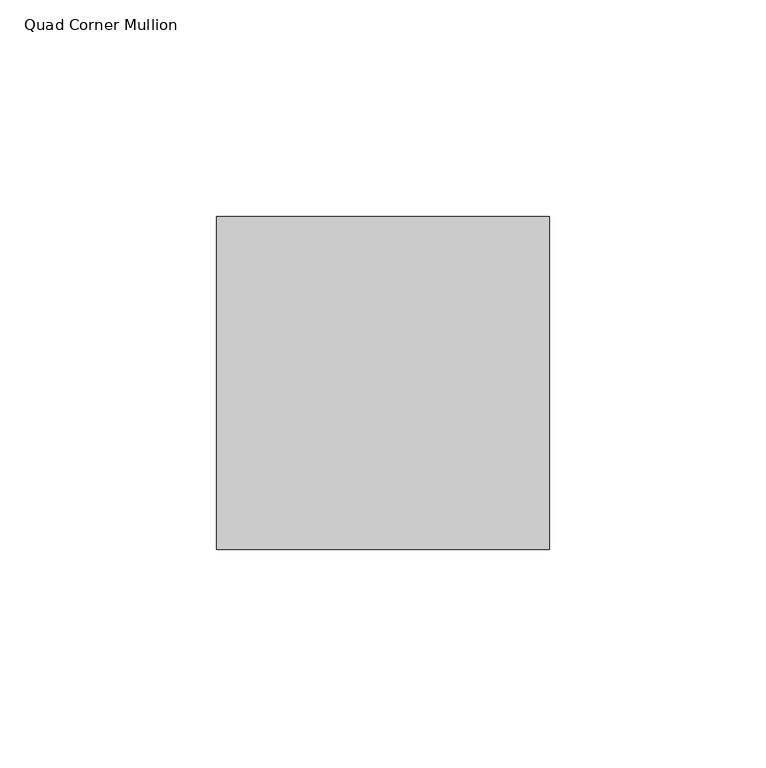
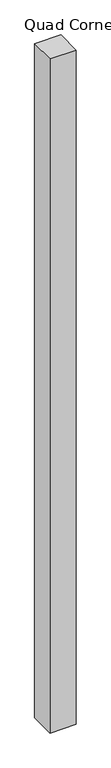
"""IFC4 building model written with IfcOpenShell, lengths in millimetres: member geometry, Quad Corner Mullion."""

from ifc_helpers import new_model, si_unit, frame, origin, place, context, project, spatial, polyline, outline, extrude, source, transform, mapped, element, save


def quad_corner_mullion_61926548(model_context):
    return source(origin(), model_context, "Body", "SweptSolid", [
        extrude(outline(polyline([(38.1496094, -38.5464844), (-38.5464844, -38.5464844), (-38.5464844, 38.1496094), (38.1496094, 38.1496094), (38.1496094, -38.5464844)])), frame((0.0, 0.0, -2075.4930277), z_axis=(0.0, 0.0, 1.0), x_axis=(1.0, 0.0, 0.0)), (0.0, 0.0, 1.0), 2075.4930277),
    ])


if __name__ == "__main__":
    model = new_model("IFC4")
    model_context = context("Model", 3, world=origin())
    ifc_project = project(units=[si_unit("LENGTHUNIT", "METRE", prefix="MILLI")], contexts=[model_context])
    site = spatial("IfcSite", under=ifc_project)
    building = spatial("IfcBuilding", under=site)
    placement = place(None, origin())
    quad_corner_mullion_shape = quad_corner_mullion_61926548(model_context)
    element("IfcMember", 1, ObjectType="Quad Corner Mullion", at=placement, inside=building, context=model_context, shape_type="MappedRepresentation", body=[
        mapped(quad_corner_mullion_shape, transform((0.0, 0.0, 0.0), x_axis=(1.0, 0.0, 0.0), y_axis=(0.0, 1.0, 0.0), z_axis=(0.0, 0.0, 1.0))),
    ])
    save(model, "model.ifc")
